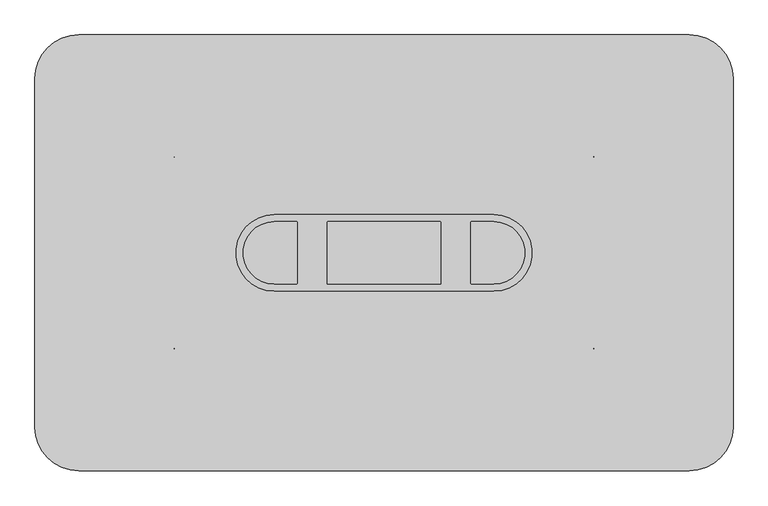
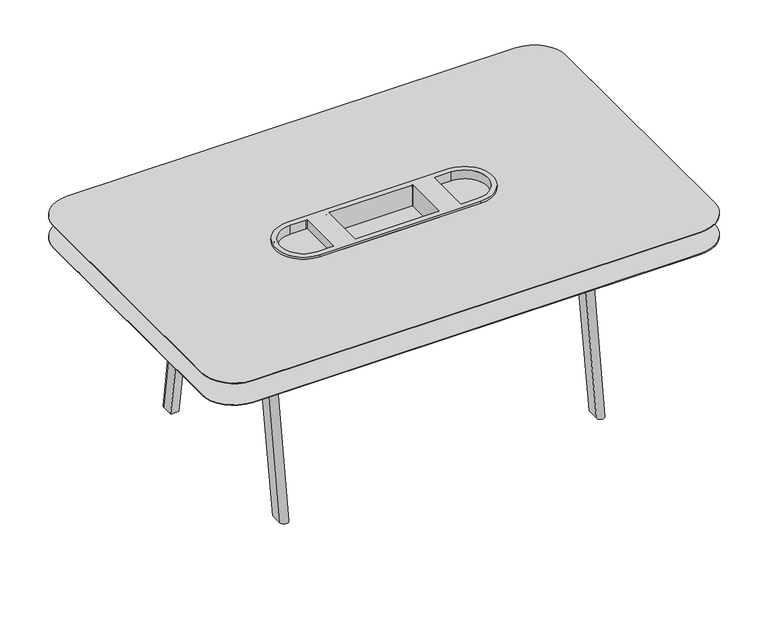
"""IFC4 building model written with IfcOpenShell, lengths in millimetres: furniture geometry."""

from ifc_helpers import new_model, si_unit, point, frame, frame_2d, origin, place, context, project, spatial, polyline, circle_curve, trimmed, segment, composite_curve, outline, extrude, source, transform, mapped, element, save
from ifc_brep_helpers import plane_surface, cylinder_surface, revolved_surface, extruded_surface, spline_surface, advanced_brep


def furniture_254dddc7(model_context):
    return source(origin(), model_context, "Body", "SolidModel", [
        advanced_brep(
        [(-1270.0126446, 612.4376784, 1001.6604441), (-1270.0126446, 344.70244, 1001.6604441), (-503.4152508, 344.70244, 1001.6604441), (-503.4152508, 612.4376784, 1001.6604441), (-1189.3666345, 584.0699817, 1001.6604441), (-1189.3666345, 373.0701368, 1001.6604441), (-1192.5416345, 369.8951368, 1001.6604441), (-1269.9999637, 369.8951368, 1001.6604441), (-1269.9999637, 587.2449817, 1001.6604441), (-1192.5416345, 587.2449817, 1001.6604441), (-580.8862609, 369.8951368, 1001.6604441), (-584.0612609, 373.0701368, 1001.6604441), (-584.0612609, 584.0699817, 1001.6604441), (-580.8862609, 587.2449817, 1001.6604441), (-503.4279317, 587.2449817, 1001.6604441), (-503.4279317, 369.8951368, 1001.6604441), (-690.840826, 369.8951368, 1001.6604441), (-1082.5870693, 369.8951368, 1001.6604441), (-1085.7620693, 373.0701368, 1001.6604441), (-1085.7620693, 584.0699817, 1001.6604441), (-1082.5870693, 587.2449817, 1001.6604441), (-690.840826, 587.2449817, 1001.6604441), (-687.665826, 584.0699817, 1001.6604441), (-687.665826, 373.0701368, 1001.6604441), (-1270.0126446, 612.4376784, 990.6), (-503.4152508, 612.4376784, 990.6), (-503.4152508, 344.70244, 990.6), (-1270.0126446, 344.70244, 990.6), (-596.7612609, 584.0699817, 990.6), (-596.7612609, 373.0701368, 990.6), (-580.8862609, 357.1951368, 990.6), (-503.4279317, 357.1951368, 990.6), (-503.4279317, 599.9449817, 990.6), (-580.8862609, 599.9449817, 990.6), (-1176.6666345, 584.0699817, 990.6), (-1192.5416345, 599.9449817, 990.6), (-1269.9999637, 599.9449817, 990.6), (-1269.9999637, 357.1951368, 990.6), (-1192.5416345, 357.1951368, 990.6), (-1176.6666345, 373.0701368, 990.6), (-690.840826, 357.1951368, 990.6), (-674.965826, 373.0701368, 990.6), (-674.965826, 584.0699817, 990.6), (-690.840826, 599.9449817, 990.6), (-1082.5870693, 599.9449817, 990.6), (-1098.4620693, 584.0699817, 990.6), (-1098.4620693, 373.0701368, 990.6), (-1082.5870693, 357.1951368, 990.6), (-1189.3666345, 373.0701368, 957.6625001), (-1189.3666345, 584.0699817, 957.6625001), (-1192.5416345, 587.2449817, 957.6625001), (-1269.9999637, 587.2449817, 957.6625001), (-1269.9999637, 369.8951368, 957.6625001), (-1192.5416345, 369.8951368, 957.6625001), (-584.0612609, 373.0701368, 957.6625001), (-580.8862609, 369.8951368, 957.6625001), (-503.4279317, 369.8951368, 957.6625001), (-503.4279317, 587.2449817, 957.6625001), (-580.8862609, 587.2449817, 957.6625001), (-584.0612609, 584.0699817, 957.6625001), (-1082.5870693, 369.8951368, 990.6), (-690.840826, 369.8951368, 990.6), (-690.840826, 369.8951368, 896.728609), (-1082.5870693, 369.8951368, 896.728609), (-687.665826, 373.0701368, 990.6), (-687.665826, 584.0699817, 990.6), (-687.665826, 584.0699817, 896.728609), (-687.665826, 373.0701368, 896.728609), (-690.840826, 587.2449817, 990.6), (-1082.5870693, 587.2449817, 990.6), (-1082.5870693, 587.2449817, 896.728609), (-690.840826, 587.2449817, 896.728609), (-1085.7620693, 584.0699817, 990.6), (-1085.7620693, 373.0701368, 990.6), (-1085.7620693, 373.0701368, 896.728609), (-1085.7620693, 584.0699817, 896.728609), (-596.7612609, 584.0699817, 952.5), (-580.8862609, 599.9449817, 952.5), (-503.4279317, 599.9449817, 952.5), (-503.4279317, 357.1951368, 952.5), (-580.8862609, 357.1951368, 952.5), (-596.7612609, 373.0701368, 952.5), (-1176.6666345, 584.0699817, 952.5), (-1176.6666345, 373.0701368, 952.5), (-1192.5416345, 357.1951368, 952.5), (-1269.9999637, 357.1951368, 952.5), (-1269.9999637, 599.9449817, 952.5), (-1192.5416345, 599.9449817, 952.5), (-690.840826, 357.1951368, 890.2195719), (-1082.5870693, 357.1951368, 890.2195719), (-1098.4620693, 373.0701368, 890.2195719), (-1098.4620693, 584.0699817, 890.2195719), (-1082.5870693, 599.9449817, 890.2195719), (-690.840826, 599.9449817, 890.2195719), (-674.965826, 584.0699817, 890.2195719), (-674.965826, 373.0701368, 890.2195719)],
        [
            (0, 1, circle_curve(frame((-1270.0126446, 478.5700592, 1001.6604441), z_axis=(0.0, 0.0, 1.0), x_axis=(1.0, 0.0, 0.0)), 133.8676192)),
            (1, 2),
            (2, 3, circle_curve(frame((-503.4152508, 478.5700592, 1001.6604441), z_axis=(0.0, 0.0, 1.0), x_axis=(1.0, 0.0, 0.0)), 133.8676192)),
            (3, 0),
            (4, 5),
            (5, 6, circle_curve(frame((-1192.5416345, 373.0701368, 1001.6604441), z_axis=(0.0, 0.0, -1.0), x_axis=(1.0, 0.0, 0.0)), 3.175)),
            (6, 7),
            (7, 8, circle_curve(frame((-1269.9999637, 478.5700592, 1001.6604441), z_axis=(0.0, 0.0, -1.0), x_axis=(-1.0, 0.0, 0.0)), 108.6749224)),
            (8, 9),
            (9, 4, circle_curve(frame((-1192.5416345, 584.0699817, 1001.6604441), z_axis=(0.0, 0.0, -1.0), x_axis=(1.0, 0.0, 0.0)), 3.175)),
            (10, 11, circle_curve(frame((-580.8862609, 373.0701368, 1001.6604441), z_axis=(0.0, 0.0, -1.0), x_axis=(-1.0, 0.0, 0.0)), 3.175)),
            (11, 12),
            (12, 13, circle_curve(frame((-580.8862609, 584.0699817, 1001.6604441), z_axis=(0.0, 0.0, -1.0), x_axis=(-1.0, 0.0, 0.0)), 3.175)),
            (13, 14),
            (14, 15, circle_curve(frame((-503.4279317, 478.5700592, 1001.6604441), z_axis=(0.0, 0.0, -1.0), x_axis=(1.0, 0.0, 0.0)), 108.6749224)),
            (15, 10),
            (16, 17),
            (17, 18, circle_curve(frame((-1082.5870693, 373.0701368, 1001.6604441), z_axis=(0.0, 0.0, -1.0), x_axis=(1.0, 0.0, 0.0)), 3.175)),
            (18, 19),
            (19, 20, circle_curve(frame((-1082.5870693, 584.0699817, 1001.6604441), z_axis=(0.0, 0.0, -1.0), x_axis=(1.0, 0.0, 0.0)), 3.175)),
            (20, 21),
            (21, 22, circle_curve(frame((-690.840826, 584.0699817, 1001.6604441), z_axis=(0.0, 0.0, -1.0), x_axis=(1.0, 0.0, 0.0)), 3.175)),
            (22, 23),
            (23, 16, circle_curve(frame((-690.840826, 373.0701368, 1001.6604441), z_axis=(0.0, 0.0, -1.0), x_axis=(1.0, 0.0, 0.0)), 3.175)),
            (24, 25),
            (25, 26, circle_curve(frame((-503.4152508, 478.5700592, 990.6), z_axis=(0.0, 0.0, -1.0), x_axis=(1.0, 0.0, 0.0)), 133.8676192)),
            (26, 27),
            (27, 24, circle_curve(frame((-1270.0126446, 478.5700592, 990.6), z_axis=(0.0, 0.0, -1.0), x_axis=(1.0, 0.0, 0.0)), 133.8676192)),
            (28, 29),
            (29, 30, circle_curve(frame((-580.8862609, 373.0701368, 990.6), z_axis=(0.0, 0.0, 1.0), x_axis=(1.0, 0.0, 0.0)), 15.875)),
            (30, 31),
            (31, 32, circle_curve(frame((-503.4279317, 478.5700592, 990.6), z_axis=(0.0, 0.0, 1.0), x_axis=(1.0, 0.0, 0.0)), 121.3749224)),
            (32, 33),
            (33, 28, circle_curve(frame((-580.8862609, 584.0699817, 990.6), z_axis=(0.0, 0.0, 1.0), x_axis=(1.0, 0.0, 0.0)), 15.875)),
            (34, 35, circle_curve(frame((-1192.5416345, 584.0699817, 990.6), z_axis=(0.0, 0.0, 1.0), x_axis=(-1.0, 0.0, 0.0)), 15.875)),
            (35, 36),
            (36, 37, circle_curve(frame((-1269.9999637, 478.5700592, 990.6), z_axis=(0.0, 0.0, 1.0), x_axis=(-1.0, 0.0, 0.0)), 121.3749224)),
            (37, 38),
            (38, 39, circle_curve(frame((-1192.5416345, 373.0701368, 990.6), z_axis=(0.0, 0.0, 1.0), x_axis=(-1.0, 0.0, 0.0)), 15.875)),
            (39, 34),
            (40, 41, circle_curve(frame((-690.840826, 373.0701368, 990.6), z_axis=(0.0, 0.0, 1.0), x_axis=(1.0, 0.0, 0.0)), 15.875)),
            (41, 42),
            (42, 43, circle_curve(frame((-690.840826, 584.0699817, 990.6), z_axis=(0.0, 0.0, 1.0), x_axis=(1.0, 0.0, 0.0)), 15.875)),
            (43, 44),
            (44, 45, circle_curve(frame((-1082.5870693, 584.0699817, 990.6), z_axis=(0.0, 0.0, 1.0), x_axis=(1.0, 0.0, 0.0)), 15.875)),
            (45, 46),
            (46, 47, circle_curve(frame((-1082.5870693, 373.0701368, 990.6), z_axis=(0.0, 0.0, 1.0), x_axis=(1.0, 0.0, 0.0)), 15.875)),
            (47, 40),
            (0, 24),
            (27, 1),
            (26, 2),
            (25, 3),
            (48, 49),
            (49, 50, circle_curve(frame((-1192.5416345, 584.0699817, 957.6625001), z_axis=(0.0, 0.0, 1.0), x_axis=(1.0, 0.0, 0.0)), 3.175)),
            (50, 51),
            (51, 52, circle_curve(frame((-1269.9999637, 478.5700592, 957.6625001), z_axis=(0.0, 0.0, 1.0), x_axis=(-1.0, 0.0, 0.0)), 108.6749224)),
            (52, 53),
            (53, 48, circle_curve(frame((-1192.5416345, 373.0701368, 957.6625001), z_axis=(0.0, 0.0, 1.0), x_axis=(1.0, 0.0, 0.0)), 3.175)),
            (54, 55, circle_curve(frame((-580.8862609, 373.0701368, 957.6625001), z_axis=(0.0, 0.0, 1.0), x_axis=(-1.0, 0.0, 0.0)), 3.175)),
            (55, 56),
            (56, 57, circle_curve(frame((-503.4279317, 478.5700592, 957.6625001), z_axis=(0.0, 0.0, 1.0), x_axis=(1.0, 0.0, 0.0)), 108.6749224)),
            (57, 58),
            (58, 59, circle_curve(frame((-580.8862609, 584.0699817, 957.6625001), z_axis=(0.0, 0.0, 1.0), x_axis=(-1.0, 0.0, 0.0)), 3.175)),
            (59, 54),
            (48, 5),
            (4, 49),
            (9, 50),
            (8, 51),
            (7, 52),
            (6, 53),
            (54, 11),
            (10, 55),
            (15, 56),
            (14, 57),
            (13, 58),
            (12, 59),
            (60, 17),
            (16, 61),
            (61, 62),
            (62, 63),
            (63, 60),
            (23, 64),
            (64, 61, circle_curve(frame((-690.840826, 373.0701368, 990.6), z_axis=(0.0, 0.0, -1.0), x_axis=(1.0, 0.0, 0.0)), 3.175)),
            (22, 65),
            (65, 66),
            (66, 67),
            (67, 64),
            (21, 68),
            (68, 65, circle_curve(frame((-690.840826, 584.0699817, 990.6), z_axis=(0.0, 0.0, -1.0), x_axis=(1.0, 0.0, 0.0)), 3.175)),
            (20, 69),
            (69, 70),
            (70, 71),
            (71, 68),
            (19, 72),
            (72, 69, circle_curve(frame((-1082.5870693, 584.0699817, 990.6), z_axis=(0.0, 0.0, -1.0), x_axis=(1.0, 0.0, 0.0)), 3.175)),
            (18, 73),
            (73, 74),
            (74, 75),
            (75, 72),
            (60, 73, circle_curve(frame((-1082.5870693, 373.0701368, 990.6), z_axis=(0.0, 0.0, -1.0), x_axis=(1.0, 0.0, 0.0)), 3.175)),
            (76, 77, circle_curve(frame((-580.8862609, 584.0699817, 952.5), z_axis=(0.0, 0.0, -1.0), x_axis=(1.0, 0.0, 0.0)), 15.875)),
            (77, 78),
            (78, 79, circle_curve(frame((-503.4279317, 478.5700592, 952.5), z_axis=(0.0, 0.0, -1.0), x_axis=(1.0, 0.0, 0.0)), 121.3749224)),
            (79, 80),
            (80, 81, circle_curve(frame((-580.8862609, 373.0701368, 952.5), z_axis=(0.0, 0.0, -1.0), x_axis=(1.0, 0.0, 0.0)), 15.875)),
            (81, 76),
            (82, 83),
            (83, 84, circle_curve(frame((-1192.5416345, 373.0701368, 952.5), z_axis=(0.0, 0.0, -1.0), x_axis=(-1.0, 0.0, 0.0)), 15.875)),
            (84, 85),
            (85, 86, circle_curve(frame((-1269.9999637, 478.5700592, 952.5), z_axis=(0.0, 0.0, -1.0), x_axis=(-1.0, 0.0, 0.0)), 121.3749224)),
            (86, 87),
            (87, 82, circle_curve(frame((-1192.5416345, 584.0699817, 952.5), z_axis=(0.0, 0.0, -1.0), x_axis=(-1.0, 0.0, 0.0)), 15.875)),
            (81, 29),
            (28, 76),
            (80, 30),
            (79, 31),
            (78, 32),
            (77, 33),
            (87, 35),
            (34, 82),
            (86, 36),
            (85, 37),
            (84, 38),
            (83, 39),
            (88, 89),
            (89, 90, circle_curve(frame((-1082.5870693, 373.0701368, 890.2195719), z_axis=(0.0, 0.0, -1.0), x_axis=(1.0, 0.0, 0.0)), 15.875)),
            (90, 91),
            (91, 92, circle_curve(frame((-1082.5870693, 584.0699817, 890.2195719), z_axis=(0.0, 0.0, -1.0), x_axis=(1.0, 0.0, 0.0)), 15.875)),
            (92, 93),
            (93, 94, circle_curve(frame((-690.840826, 584.0699817, 890.2195719), z_axis=(0.0, 0.0, -1.0), x_axis=(1.0, 0.0, 0.0)), 15.875)),
            (94, 95),
            (95, 88, circle_curve(frame((-690.840826, 373.0701368, 890.2195719), z_axis=(0.0, 0.0, -1.0), x_axis=(1.0, 0.0, 0.0)), 15.875)),
            (95, 41),
            (40, 88),
            (94, 42),
            (93, 43),
            (92, 44),
            (91, 45),
            (90, 46),
            (89, 47),
            (62, 67, circle_curve(frame((-690.840826, 373.0701368, 896.728609), z_axis=(0.0, 0.0, 1.0), x_axis=(1.0, 0.0, 0.0)), 3.175)),
            (66, 71, circle_curve(frame((-690.840826, 584.0699817, 896.728609), z_axis=(0.0, 0.0, 1.0), x_axis=(1.0, 0.0, 0.0)), 3.175)),
            (70, 75, circle_curve(frame((-1082.5870693, 584.0699817, 896.728609), z_axis=(0.0, 0.0, 1.0), x_axis=(1.0, 0.0, 0.0)), 3.175)),
            (74, 63, circle_curve(frame((-1082.5870693, 373.0701368, 896.728609), z_axis=(0.0, 0.0, 1.0), x_axis=(1.0, 0.0, 0.0)), 3.175)),
        ],
        [
            plane_surface(frame((-1136.1450254, 478.5700592, 1001.6604441), z_axis=(0.0, 0.0, 1.0), x_axis=(0.0, 1.0, 0.0))),
            plane_surface(frame((-1136.1450254, 478.5700592, 990.6), z_axis=(0.0, 0.0, -1.0), x_axis=(0.0, -1.0, 0.0))),
            cylinder_surface(frame((-1270.0126446, 478.5700592, 990.6), z_axis=(0.0, 0.0, 1.0), x_axis=(1.0, 0.0, 0.0)), 133.8676192),
            plane_surface(frame((-1270.0126446, 344.70244, 1001.6604441), z_axis=(0.0, -1.0, 0.0), x_axis=(0.0, 0.0, -1.0))),
            cylinder_surface(frame((-503.4152508, 478.5700592, 990.6), z_axis=(0.0, 0.0, 1.0), x_axis=(1.0, 0.0, 0.0)), 133.8676192),
            plane_surface(frame((-503.4152508, 612.4376784, 1001.6604441), z_axis=(0.0, 1.0, 0.0), x_axis=(0.0, 0.0, -1.0))),
            plane_surface(frame((-1189.3666345, 584.0699817, 957.6625001), z_axis=(0.0, 0.0, 1.0), x_axis=(0.0, -1.0, 0.0))),
            plane_surface(frame((-1189.3666345, 373.0701368, 1009.65), z_axis=(-1.0, 0.0, 0.0), x_axis=(0.0, 0.0, -1.0))),
            revolved_surface(polyline([(-1189.3666345000001, 584.0699817, 1001.6604441), (-1189.3666345000001, 584.0699817, 957.6625001)]), (-1192.5416345, 584.0699817, 957.6625001), (0.0, 0.0, 1.0)),
            plane_surface(frame((-1192.5416345, 587.2449817, 1009.65), z_axis=(0.0, -1.0, 0.0), x_axis=(0.0, 0.0, -1.0))),
            revolved_surface(polyline([(-1378.6748861, 478.5700592, 1001.6604441), (-1378.6748861, 478.5700592, 957.6625001)]), (-1269.9999637, 478.5700592, 957.6625001), (0.0, 0.0, 1.0)),
            plane_surface(frame((-1269.9999637, 369.8951368, 1009.65), z_axis=(0.0, 1.0, 0.0), x_axis=(0.0, 0.0, -1.0))),
            revolved_surface(polyline([(-1189.3666345000001, 373.0701368, 1001.6604441), (-1189.3666345000001, 373.0701368, 957.6625001)]), (-1192.5416345, 373.0701368, 957.6625001), (0.0, 0.0, 1.0)),
            revolved_surface(polyline([(-584.0612609, 373.0701368, 1001.6604441), (-584.0612609, 373.0701368, 957.6625001)]), (-580.8862609, 373.0701368, 1152.5113746), (0.0, 0.0, 1.0)),
            plane_surface(frame((-580.8862609, 369.8951368, 1009.65), z_axis=(0.0, 1.0, 0.0), x_axis=(0.0, 0.0, -1.0))),
            revolved_surface(polyline([(-394.7530093, 478.5700592, 1001.6604441), (-394.7530093, 478.5700592, 957.6625001)]), (-503.4279317, 478.5700592, 1152.5113746), (0.0, 0.0, 1.0)),
            plane_surface(frame((-503.4279317, 587.2449817, 1009.65), z_axis=(0.0, -1.0, 0.0), x_axis=(0.0, 0.0, -1.0))),
            revolved_surface(polyline([(-584.0612609, 584.0699817, 1001.6604441), (-584.0612609, 584.0699817, 957.6625001)]), (-580.8862609, 584.0699817, 1152.5113746), (0.0, 0.0, 1.0)),
            plane_surface(frame((-584.0612609, 584.0699817, 1009.65), z_axis=(1.0, 0.0, 0.0), x_axis=(0.0, 0.0, -1.0))),
            plane_surface(frame((-1082.5870693, 369.8951368, 1009.65), z_axis=(0.0, 1.0, 0.0), x_axis=(0.0, 0.0, -1.0))),
            revolved_surface(polyline([(-687.665826, 373.0701368, 1001.6604441), (-687.665826, 373.0701368, 990.6)]), (-690.840826, 373.0701368, 896.728609), (0.0, 0.0, 1.0)),
            plane_surface(frame((-687.665826, 373.0701368, 1009.65), z_axis=(-1.0, 0.0, 0.0), x_axis=(0.0, 0.0, -1.0))),
            revolved_surface(polyline([(-687.665826, 584.0699817, 1001.6604441), (-687.665826, 584.0699817, 990.6)]), (-690.840826, 584.0699817, 896.728609), (0.0, 0.0, 1.0)),
            plane_surface(frame((-690.840826, 587.2449817, 1009.65), z_axis=(0.0, -1.0, 0.0), x_axis=(0.0, 0.0, -1.0))),
            revolved_surface(polyline([(-1079.4120693, 584.0699817, 1001.6604441), (-1079.4120693, 584.0699817, 990.6)]), (-1082.5870693, 584.0699817, 896.728609), (0.0, 0.0, 1.0)),
            plane_surface(frame((-1085.7620693, 584.0699817, 1009.65), z_axis=(1.0, 0.0, 0.0), x_axis=(0.0, 0.0, -1.0))),
            revolved_surface(polyline([(-1079.4120693, 373.0701368, 1001.6604441), (-1079.4120693, 373.0701368, 990.6)]), (-1082.5870693, 373.0701368, 896.728609), (0.0, 0.0, 1.0)),
            plane_surface(frame((-596.7612609, 373.0604656, 952.5), z_axis=(0.0, 0.0, -1.0), x_axis=(0.0, 1.0, 0.0))),
            plane_surface(frame((-596.7612609, 584.0699817, 990.6), z_axis=(-1.0, 0.0, 0.0), x_axis=(0.0, 0.0, -1.0))),
            cylinder_surface(frame((-580.8862609, 373.0701368, 952.5), z_axis=(0.0, 0.0, 1.0), x_axis=(1.0, 0.0, 0.0)), 15.875),
            plane_surface(frame((-580.8862609, 357.1951368, 990.6), z_axis=(0.0, -1.0, 0.0), x_axis=(0.0, 0.0, -1.0))),
            cylinder_surface(frame((-503.4279317, 478.5700592, 952.5), z_axis=(0.0, 0.0, 1.0), x_axis=(1.0, 0.0, 0.0)), 121.3749224),
            plane_surface(frame((-503.4279317, 599.9449817, 990.6), z_axis=(0.0, 1.0, 0.0), x_axis=(0.0, 0.0, -1.0))),
            cylinder_surface(frame((-580.8862609, 584.0699817, 952.5), z_axis=(0.0, 0.0, 1.0), x_axis=(1.0, 0.0, 0.0)), 15.875),
            cylinder_surface(frame((-1192.5416345, 584.0699817, 1152.5113746), z_axis=(0.0, 0.0, 1.0), x_axis=(-1.0, 0.0, 0.0)), 15.875),
            plane_surface(frame((-1192.5416345, 599.9449817, 990.6), z_axis=(0.0, 1.0, 0.0), x_axis=(0.0, 0.0, -1.0))),
            cylinder_surface(frame((-1269.9999637, 478.5700592, 1152.5113746), z_axis=(0.0, 0.0, 1.0), x_axis=(-1.0, 0.0, 0.0)), 121.3749224),
            plane_surface(frame((-1269.9999637, 357.1951368, 990.6), z_axis=(0.0, -1.0, 0.0), x_axis=(0.0, 0.0, -1.0))),
            cylinder_surface(frame((-1192.5416345, 373.0701368, 1152.5113746), z_axis=(0.0, 0.0, 1.0), x_axis=(-1.0, 0.0, 0.0)), 15.875),
            plane_surface(frame((-1176.6666345, 373.0701368, 990.6), z_axis=(1.0, 0.0, 0.0), x_axis=(0.0, 0.0, -1.0))),
            plane_surface(frame((-674.965826, 373.0701368, 890.2195719), z_axis=(0.0, 0.0, -1.0), x_axis=(0.0, -1.0, 0.0))),
            cylinder_surface(frame((-690.840826, 373.0701368, 890.2195719), z_axis=(0.0, 0.0, 1.0), x_axis=(1.0, 0.0, 0.0)), 15.875),
            plane_surface(frame((-674.965826, 373.0701368, 990.6), z_axis=(1.0, 0.0, 0.0), x_axis=(0.0, 0.0, -1.0))),
            cylinder_surface(frame((-690.840826, 584.0699817, 890.2195719), z_axis=(0.0, 0.0, 1.0), x_axis=(1.0, 0.0, 0.0)), 15.875),
            plane_surface(frame((-690.840826, 599.9449817, 990.6), z_axis=(0.0, 1.0, 0.0), x_axis=(0.0, 0.0, -1.0))),
            cylinder_surface(frame((-1082.5870693, 584.0699817, 890.2195719), z_axis=(0.0, 0.0, 1.0), x_axis=(1.0, 0.0, 0.0)), 15.875),
            plane_surface(frame((-1098.4620693, 584.0699817, 990.6), z_axis=(-1.0, 0.0, 0.0), x_axis=(0.0, 0.0, -1.0))),
            cylinder_surface(frame((-1082.5870693, 373.0701368, 890.2195719), z_axis=(0.0, 0.0, 1.0), x_axis=(1.0, 0.0, 0.0)), 15.875),
            plane_surface(frame((-1082.5870693, 357.1951368, 990.6), z_axis=(0.0, -1.0, 0.0), x_axis=(0.0, 0.0, -1.0))),
            plane_surface(frame((-690.840826, 369.8951368, 896.728609), z_axis=(0.0, 0.0, 1.0), x_axis=(-1.0, 0.0, 0.0))),
            revolved_surface(polyline([(-687.665826, 373.0701368, 990.6), (-687.665826, 373.0701368, 896.728609)]), (-690.840826, 373.0701368, 896.728609), (0.0, 0.0, 1.0)),
            revolved_surface(polyline([(-687.665826, 584.0699817, 990.6), (-687.665826, 584.0699817, 896.728609)]), (-690.840826, 584.0699817, 896.728609), (0.0, 0.0, 1.0)),
            revolved_surface(polyline([(-1079.4120693, 584.0699817, 990.6), (-1079.4120693, 584.0699817, 896.728609)]), (-1082.5870693, 584.0699817, 896.728609), (0.0, 0.0, 1.0)),
            revolved_surface(polyline([(-1079.4120693, 373.0701368, 990.6), (-1079.4120693, 373.0701368, 896.728609)]), (-1082.5870693, 373.0701368, 896.728609), (0.0, 0.0, 1.0)),
        ],
        [
            (0, [[1, 2, 3, 4], [5, 6, 7, 8, 9, 10], [11, 12, 13, 14, 15, 16], [17, 18, 19, 20, 21, 22, 23, 24]]),
            (1, [[25, 26, 27, 28], [29, 30, 31, 32, 33, 34], [35, 36, 37, 38, 39, 40], [41, 42, 43, 44, 45, 46, 47, 48]]),
            (2, [[-1, 49, -28, 50]]),
            (3, [[-2, -50, -27, 51]]),
            (4, [[-3, -51, -26, 52]]),
            (5, [[-4, -52, -25, -49]]),
            (6, [[53, 54, 55, 56, 57, 58]]),
            (6, [[59, 60, 61, 62, 63, 64]]),
            (7, [[-53, 65, -5, 66]]),
            (8, [[-54, -66, -10, 67]]),
            (9, [[-55, -67, -9, 68]]),
            (10, [[-56, -68, -8, 69]]),
            (11, [[-57, -69, -7, 70]]),
            (12, [[-58, -70, -6, -65]]),
            (13, [[-59, 71, -11, 72]]),
            (14, [[-60, -72, -16, 73]]),
            (15, [[-61, -73, -15, 74]]),
            (16, [[-62, -74, -14, 75]]),
            (17, [[-63, -75, -13, 76]]),
            (18, [[-64, -76, -12, -71]]),
            (19, [[77, -17, 78, 79, 80, 81]]),
            (20, [[-78, -24, 82, 83]]),
            (21, [[-82, -23, 84, 85, 86, 87]]),
            (22, [[-84, -22, 88, 89]]),
            (23, [[-88, -21, 90, 91, 92, 93]]),
            (24, [[-90, -20, 94, 95]]),
            (25, [[-94, -19, 96, 97, 98, 99]]),
            (26, [[-77, 100, -96, -18]]),
            (27, [[101, 102, 103, 104, 105, 106]]),
            (27, [[107, 108, 109, 110, 111, 112]]),
            (28, [[-106, 113, -29, 114]]),
            (29, [[-105, 115, -30, -113]]),
            (30, [[-104, 116, -31, -115]]),
            (31, [[-103, 117, -32, -116]]),
            (32, [[-102, 118, -33, -117]]),
            (33, [[-101, -114, -34, -118]]),
            (34, [[-112, 119, -35, 120]]),
            (35, [[-111, 121, -36, -119]]),
            (36, [[-110, 122, -37, -121]]),
            (37, [[-109, 123, -38, -122]]),
            (38, [[-108, 124, -39, -123]]),
            (39, [[-107, -120, -40, -124]]),
            (40, [[125, 126, 127, 128, 129, 130, 131, 132]]),
            (41, [[-132, 133, -41, 134]]),
            (42, [[-131, 135, -42, -133]]),
            (43, [[-130, 136, -43, -135]]),
            (44, [[-129, 137, -44, -136]]),
            (45, [[-128, 138, -45, -137]]),
            (46, [[-127, 139, -46, -138]]),
            (47, [[-126, 140, -47, -139]]),
            (48, [[-125, -134, -48, -140]]),
            (49, [[-80, 141, -86, 142, -92, 143, -98, 144]]),
            (50, [[-141, -79, -83, -87]]),
            (51, [[-142, -85, -89, -93]]),
            (52, [[-143, -91, -95, -99]]),
            (53, [[-144, -97, -100, -81]]),
        ],
    ),
        extrude(outline(composite_curve([segment(trimmed(circle_curve(frame_2d((180.0860523, 1088.1700592)), 152.4), [point((180.0860523, 1240.5700592))], [point((332.4860523, 1088.1700592))], False, "CARTESIAN"), True, "CONTINUOUS"), segment(polyline([(332.4860523, 1088.1700592), (332.4860523, -131.0299408)]), True, "CONTINUOUS"), segment(trimmed(circle_curve(frame_2d((180.0860523, -131.0299408)), 152.4), [point((332.4860523, -131.0299408))], [point((180.0860523, -283.4299408))], False, "CARTESIAN"), True, "CONTINUOUS"), segment(polyline([(180.0860523, -283.4299408), (-1953.5139477, -283.4299408)]), True, "CONTINUOUS"), segment(trimmed(circle_curve(frame_2d((-1953.5139477, -131.0299408)), 152.4), [point((-1953.5139477, -283.4299408))], [point((-2105.9139477, -131.0299408))], False, "CARTESIAN"), True, "CONTINUOUS"), segment(polyline([(-2105.9139477, -131.0299408), (-2105.9139477, 1088.1700592)]), True, "CONTINUOUS"), segment(trimmed(circle_curve(frame_2d((-1953.5139477, 1088.1700592)), 152.4), [point((-2105.9139477, 1088.1700592))], [point((-1953.5139477, 1240.5700592))], False, "CARTESIAN"), True, "CONTINUOUS"), segment(polyline([(-1953.5139477, 1240.5700592), (180.0860523, 1240.5700592)]), True, "CONTINUOUS")], self_intersect=False)), frame((0.0, 0.0, 878.1216427), z_axis=(0.0, 0.0, 1.0), x_axis=(1.0, 0.0, 0.0)), (0.0, 0.0, 1.0), 3.175),
        extrude(outline(composite_curve([segment(trimmed(circle_curve(frame_2d((180.0860523, 1088.1700592)), 152.4), [point((180.0860523, 1240.5700592))], [point((332.4860523, 1088.1700592))], False, "CARTESIAN"), True, "CONTINUOUS"), segment(polyline([(332.4860523, 1088.1700592), (332.4860523, -131.0299408)]), True, "CONTINUOUS"), segment(trimmed(circle_curve(frame_2d((180.0860523, -131.0299408)), 152.4), [point((332.4860523, -131.0299408))], [point((180.0860523, -283.4299408))], False, "CARTESIAN"), True, "CONTINUOUS"), segment(polyline([(180.0860523, -283.4299408), (-1953.5139477, -283.4299408)]), True, "CONTINUOUS"), segment(trimmed(circle_curve(frame_2d((-1953.5139477, -131.0299408)), 152.4), [point((-1953.5139477, -283.4299408))], [point((-2105.9139477, -131.0299408))], False, "CARTESIAN"), True, "CONTINUOUS"), segment(polyline([(-2105.9139477, -131.0299408), (-2105.9139477, 1088.1700592)]), True, "CONTINUOUS"), segment(trimmed(circle_curve(frame_2d((-1953.5139477, 1088.1700592)), 152.4), [point((-2105.9139477, 1088.1700592))], [point((-1953.5139477, 1240.5700592))], False, "CARTESIAN"), True, "CONTINUOUS"), segment(polyline([(-1953.5139477, 1240.5700592), (180.0860523, 1240.5700592)]), True, "CONTINUOUS")], self_intersect=False), holes=[composite_curve([segment(polyline([(-886.7139477, 612.3384173), (-1262.5028888, 612.3384173)]), True, "CONTINUOUS"), segment(trimmed(circle_curve(frame_2d((-1262.5028888, 478.5700592)), 133.7683581), [point((-1262.5028888, 612.3384173))], [point((-1262.5028888, 344.8017011))], True, "CARTESIAN"), True, "CONTINUOUS"), segment(polyline([(-1262.5028888, 344.8017011), (-886.7139477, 344.8017011), (-510.50937, 344.8017011)]), True, "CONTINUOUS"), segment(trimmed(circle_curve(frame_2d((-510.50937, 478.5700592)), 133.7683581), [point((-510.50937, 344.8017011))], [point((-510.50937, 612.3384173))], True, "CARTESIAN"), True, "CONTINUOUS"), segment(polyline([(-510.50937, 612.3384173), (-886.7139477, 612.3384173)]), True, "CONTINUOUS")], self_intersect=False)]), frame((0.0, 0.0, 987.9563894), z_axis=(0.0, 0.0, 1.0), x_axis=(1.0, 0.0, 0.0)), (0.0, 0.0, 1.0), 2.6436106),
        advanced_brep(
        [(180.086016, 1240.5700592, 987.9563894), (-408.1414617, 1240.5700592, 987.9563894), (-1951.2279438, 1240.5700592, 987.9563894), (-2105.9139477, 1085.8840553, 987.9563894), (-2105.9139477, -131.0299408, 987.9563894), (-1953.5139477, -283.4299408, 987.9563894), (-408.1414617, -283.4299408, 987.9563894), (180.1088442, -283.4299408, 987.9563894), (332.4860523, -131.0527327, 987.9563894), (332.4860523, 438.4859882, 987.9563894), (332.4860523, 823.4541302, 987.9563894), (332.4860523, 1088.1700229, 987.9563894), (-1262.5028888, 612.3384173, 987.9563894), (-886.7139477, 612.3384173, 987.9563894), (-510.50937, 612.3384173, 987.9563894), (-510.50937, 344.8017011, 987.9563894), (-886.7139477, 344.8017011, 987.9563894), (-1262.5028888, 344.8017011, 987.9563894), (180.086016, 1189.7700592, 967.1357346), (281.6860523, 1088.1700229, 967.1357346), (281.6860523, 1019.898828, 967.1357346), (281.6860523, 460.7920856, 967.1357346), (281.6860523, -131.0299166, 967.1357346), (180.0860523, -232.6299166, 967.1357346), (-427.9413185, -232.6299166, 967.1357346), (-1951.2279438, -232.6299166, 967.1357346), (-2052.8279438, -131.0299166, 967.1357346), (-2052.8279438, 1088.1700592, 967.1357346), (-1951.2279438, 1189.7700592, 967.1357346), (-886.7139477, 612.3384173, 967.1357346), (-1262.5028888, 612.3384173, 967.1357346), (-1262.5028888, 344.8017011, 967.1357346), (-886.7139477, 344.8017011, 967.1357346), (-510.50937, 344.8017011, 967.1357346), (-510.50937, 612.3384173, 967.1357346)],
        [
            (0, 1),
            (1, 2),
            (2, 3, circle_curve(frame((-1951.2279438, 1085.8840553, 987.9563894), z_axis=(0.0, 0.0, 1.0), x_axis=(0.0, -1.0, 0.0)), 154.6860039)),
            (3, 4),
            (4, 5, circle_curve(frame((-1953.5139477, -131.0299408, 987.9563894), z_axis=(0.0, 0.0, 1.0), x_axis=(0.0, -1.0, 0.0)), 152.4)),
            (5, 6),
            (6, 7),
            (7, 8, circle_curve(frame((180.1088442, -131.0527327, 987.9563894), z_axis=(0.0, 0.0, 1.0), x_axis=(0.0, -1.0, 0.0)), 152.3772081)),
            (8, 9),
            (9, 10),
            (10, 11),
            (11, 0, circle_curve(frame((180.086016, 1088.1700229, 987.9563894), z_axis=(3.0149125599671095e-12, -5.083906462305724e-12, 1.0), x_axis=(1.0, 0.0, -3.014931751972623e-12)), 152.4000363)),
            (12, 13),
            (13, 14),
            (14, 15, circle_curve(frame((-510.50937, 478.5700592, 987.9563894), z_axis=(0.0, 0.0, -1.0), x_axis=(1.0, 0.0, 0.0)), 133.7683581)),
            (15, 16),
            (16, 17),
            (17, 12, circle_curve(frame((-1262.5028888, 478.5700592, 987.9563894), z_axis=(0.0, 0.0, -1.0), x_axis=(1.0, 0.0, 0.0)), 133.7683581)),
            (18, 19, circle_curve(frame((180.086016, 1088.1700229, 967.1357346), z_axis=(-3.0149125599671095e-12, 5.083906462305724e-12, -1.0), x_axis=(1.0, 0.0, -3.014931751972623e-12)), 101.6000363)),
            (19, 20),
            (20, 21),
            (21, 22),
            (22, 23, circle_curve(frame((180.0860523, -131.0299166, 967.1357346), z_axis=(0.0, 0.0, -1.0), x_axis=(0.0, -1.0, 0.0)), 101.6)),
            (23, 24),
            (24, 25),
            (25, 26, circle_curve(frame((-1951.2279438, -131.0299166, 967.1357346), z_axis=(0.0, 0.0, -1.0), x_axis=(0.0, -1.0, 0.0)), 101.6)),
            (26, 27),
            (27, 28, circle_curve(frame((-1951.2279438, 1088.1700592, 967.1357346), z_axis=(0.0, 0.0, -1.0), x_axis=(0.0, -1.0, 0.0)), 101.6)),
            (28, 18),
            (29, 30),
            (30, 31, circle_curve(frame((-1262.5028888, 478.5700592, 967.1357346), z_axis=(0.0, 0.0, 1.0), x_axis=(1.0, 0.0, 0.0)), 133.7683581)),
            (31, 32),
            (32, 33),
            (33, 34, circle_curve(frame((-510.50937, 478.5700592, 967.1357346), z_axis=(0.0, 0.0, 1.0), x_axis=(1.0, 0.0, 0.0)), 133.7683581)),
            (34, 29),
            (1, 18),
            (28, 2),
            (27, 3),
            (26, 4),
            (25, 5),
            (24, 6),
            (9, 21),
            (20, 10),
            (23, 7),
            (22, 8),
            (19, 11),
            (18, 0),
            (29, 13),
            (12, 30),
            (17, 31),
            (16, 32),
            (15, 33),
            (14, 34),
        ],
        [
            plane_surface(frame((-603.5594701, 503.7776565, 987.9563894), z_axis=(0.0, 0.0, 1.0), x_axis=(-1.0, 0.0, 0.0))),
            plane_surface(frame((-631.7397106, 461.5110483, 967.1357346), z_axis=(0.0, 0.0, -1.0), x_axis=(-1.0, 0.0, 0.0))),
            plane_surface(frame((-885.5709639, 1189.7700592, 967.1357346), z_axis=(0.0, 0.37923874348745606, -0.9252988573634227), x_axis=(-1.0, 0.0, 0.0))),
            spline_surface(2, 1, [[(-1951.2279438, 1189.7700592, 967.1357346), (-1951.2279438, 1240.5700592, 987.9563894)], [(-2052.8279438, 1189.7700592000003, 967.1357346), (-2105.9139477, 1240.5700592000003, 987.9563894)], [(-2052.8279438, 1088.1700592, 967.1357346), (-2105.9139477, 1085.8840553, 987.9563894)]], [3, 3], [2, 2], [0.0, 1.0], [0.0, 1.0], weights=[[1.0, 1.0], [0.707106781186547, 0.707106781186547], [1.0, 1.0]]),
            plane_surface(frame((-2052.8279438, 478.5700713, 967.1357346), z_axis=(-0.3651272616952556, 0.0, -0.930957615988464), x_axis=(0.0, -1.0, 0.0))),
            spline_surface(2, 1, [[(-2052.8279438, -131.0299166, 967.1357346), (-2105.9139477, -131.0299408, 987.9563894)], [(-2052.8279438, -232.62991659999992, 967.1357346), (-2105.9139477, -283.4299407999998, 987.9563894)], [(-1951.2279438, -232.6299166, 967.1357346), (-1953.5139477, -283.4299408, 987.9563894)]], [3, 3], [2, 2], [0.0, 1.0], [0.0, 1.0], weights=[[1.0, 1.0], [0.7071067811865478, 0.7071067811865478], [1.0, 1.0]]),
            plane_surface(frame((-1189.5846311, -232.6299166, 967.1357346), z_axis=(0.0, -0.37923858865960286, -0.9252989208204409), x_axis=(1.0, 0.0, 0.0))),
            plane_surface(frame((281.6860523, 740.3454568, 967.1357346), z_axis=(0.3792387434863721, 0.0, -0.925298857363867), x_axis=(0.0, 1.0, 0.0))),
            plane_surface(frame((-123.9276331, -232.6299166, 967.1357346), z_axis=(0.0, -0.3792385886595965, -0.9252989208204435), x_axis=(1.0, 0.0, 0.0))),
            spline_surface(2, 1, [[(180.0860523, -232.6299166, 967.1357346), (180.1088442, -283.4299408, 987.9563894)], [(281.68605230000003, -232.6299166, 967.1357346), (332.4860523, -283.4299408, 987.9563894)], [(281.6860523, -131.0299166, 967.1357346), (332.4860523, -131.0527327, 987.9563894)]], [3, 3], [2, 2], [0.0, 1.0], [0.0, 1.0], weights=[[1.0, 1.0], [0.7071067811865476, 0.7071067811865476], [1.0, 1.0]]),
            plane_surface(frame((281.6860523, 164.8810845, 967.1357346), z_axis=(0.3792387434863721, 0.0, -0.925298857363867), x_axis=(0.0, 1.0, 0.0))),
            plane_surface(frame((281.6860523, 1054.0344255, 967.1357346), z_axis=(0.3792387434863721, 0.0, -0.925298857363867), x_axis=(0.0, 1.0, 0.0))),
            revolved_surface(polyline([(180.086016, 1189.7700593807535, 967.1357346), (180.086016, 1240.5700592030116, 987.9563894012343)]), (180.086016, 1088.1700229, 925.4944099), (3.0149125599671095e-12, -5.083906462305724e-12, 1.0)),
            plane_surface(frame((180.086016, 1189.7700592, 967.1357346), z_axis=(0.0, 0.37923874348745407, -0.9252988573634234), x_axis=(-1.0, 0.0, 0.0))),
            plane_surface(frame((-886.7139477, 612.3384173, 1106.5776141), z_axis=(0.0, -1.0, 0.0), x_axis=(0.0, 0.0, -1.0))),
            revolved_surface(polyline([(-1128.7345307, 478.5700592, 987.9563894), (-1128.7345307, 478.5700592, 967.1357346)]), (-1262.5028888, 478.5700592, 649.3776141), (0.0, 0.0, 1.0)),
            plane_surface(frame((-1262.5028888, 344.8017011, 1106.5776141), z_axis=(0.0, 1.0, 0.0), x_axis=(0.0, 0.0, -1.0))),
            plane_surface(frame((-886.7139477, 344.8017011, 1106.5776141), z_axis=(0.0, 1.0, 0.0), x_axis=(0.0, 0.0, -1.0))),
            revolved_surface(polyline([(-376.7410119, 478.5700592, 987.9563894), (-376.7410119, 478.5700592, 967.1357346)]), (-510.50937, 478.5700592, 649.3776141), (0.0, 0.0, 1.0)),
            plane_surface(frame((-510.50937, 612.3384173, 1106.5776141), z_axis=(0.0, -1.0, 0.0), x_axis=(0.0, 0.0, -1.0))),
        ],
        [
            (0, [[1, 2, 3, 4, 5, 6, 7, 8, 9, 10, 11, 12], [13, 14, 15, 16, 17, 18]]),
            (1, [[19, 20, 21, 22, 23, 24, 25, 26, 27, 28, 29], [30, 31, 32, 33, 34, 35]]),
            (2, [[-2, 36, -29, 37]]),
            (3, [[-3, -37, -28, 38]]),
            (4, [[-4, -38, -27, 39]]),
            (5, [[-5, -39, -26, 40]]),
            (6, [[-6, -40, -25, 41]]),
            (7, [[-10, 42, -21, 43]]),
            (8, [[-7, -41, -24, 44]]),
            (9, [[-8, -44, -23, 45]]),
            (10, [[-9, -45, -22, -42]]),
            (11, [[-11, -43, -20, 46]]),
            (12, [[-12, -46, -19, 47]]),
            (13, [[-1, -47, -36]]),
            (14, [[48, -13, 49, -30]]),
            (15, [[-49, -18, 50, -31]]),
            (16, [[-50, -17, 51, -32]]),
            (17, [[-51, -16, 52, -33]]),
            (18, [[-52, -15, 53, -34]]),
            (19, [[-48, -35, -53, -14]]),
        ],
    ),
        advanced_brep(
        [(-1657.9827564, 812.8563452, 967.1357346), (-1657.9827564, 746.7341595, 967.1357346), (-1618.6841881, 746.7341595, 967.1357346), (-1618.6841881, 812.8563452, 967.1357346), (-1657.9827564, 956.7201704, 0.0), (-1618.6841881, 956.7201704, 0.0), (-1618.6841881, 899.4854099, 0.0), (-1657.9827564, 899.4854099, 0.0)],
        [
            (0, 1),
            (1, 2),
            (2, 3),
            (3, 0, circle_curve(frame((-1638.3334722, 812.8563452, 967.1357346), z_axis=(0.0, 0.0, 1.0), x_axis=(0.0, -1.0, 0.0)), 19.6492841)),
            (4, 5, circle_curve(frame((-1638.3334722, 956.7201704, 0.0), z_axis=(0.0, 0.0, -1.0), x_axis=(0.0, -1.0, 0.0)), 19.6492841)),
            (5, 6),
            (6, 7),
            (7, 4),
            (4, 0),
            (3, 5),
            (2, 6),
            (1, 7),
        ],
        [
            plane_surface(frame((-1638.3334722, 779.7952524, 967.1357346), z_axis=(0.0, 0.0, 1.0), x_axis=(0.0, -1.0, 0.0))),
            plane_surface(frame((-1638.3334722, 928.1027901, 0.0), z_axis=(0.0, 0.0, -1.0), x_axis=(0.0, -1.0, 0.0))),
            extruded_surface(trimmed(circle_curve(frame((-1638.3334722, 956.7201704, 0.0), z_axis=(0.0, 0.0, 1.0), x_axis=(0.0, -1.0, 0.0)), 19.6492841), [point((-1618.6841881, 956.7201704, 0.0))], [point((-1657.9827564, 956.7201704, 0.0))], True, "CARTESIAN"), (0.0, -143.86382520000006, 967.1357346), 977.7772391201678),
            plane_surface(frame((-1618.6841881, 928.1027901, 0.0), z_axis=(1.0, 0.0, 0.0), x_axis=(0.0, 1.0, 0.0))),
            plane_surface(frame((-1638.3334722, 899.4854099, 0.0), z_axis=(0.0, -0.987755788374589, -0.15600802073128878), x_axis=(1.0, 0.0, 0.0))),
            plane_surface(frame((-1657.9827564, 928.1027901, 0.0), z_axis=(-1.0, 0.0, 0.0), x_axis=(0.0, -1.0, 0.0))),
        ],
        [
            (0, [[1, 2, 3, 4]]),
            (1, [[5, 6, 7, 8]]),
            (2, [[-5, 9, -4, 10]]),
            (3, [[-6, -10, -3, 11]]),
            (4, [[-7, -11, -2, 12]]),
            (5, [[-8, -12, -1, -9]]),
        ],
    ),
        advanced_brep(
        [(-1657.9827564, 144.2837732, 967.1357346), (-1618.6841881, 144.2837732, 967.1357346), (-1618.6841881, 210.4060249, 967.1357346), (-1657.9827564, 210.4060249, 967.1357346), (-1657.9827564, 0.4199481, 0.0), (-1657.9827564, 57.6547085, 0.0), (-1618.6841881, 57.6547085, 0.0), (-1618.6841881, 0.4199481, 0.0)],
        [
            (0, 1, circle_curve(frame((-1638.3334722, 144.2837732, 967.1357346), z_axis=(0.0, 0.0, 1.0), x_axis=(0.0, -1.0, 0.0)), 19.6492841)),
            (1, 2),
            (2, 3),
            (3, 0),
            (4, 5),
            (5, 6),
            (6, 7),
            (7, 4, circle_curve(frame((-1638.3334722, 0.4199481, 0.0), z_axis=(0.0, 0.0, -1.0), x_axis=(0.0, -1.0, 0.0)), 19.6492841)),
            (7, 1),
            (0, 4),
            (6, 2),
            (5, 3),
        ],
        [
            plane_surface(frame((-1638.3334722, 177.3448991, 967.1357346), z_axis=(0.0, 0.0, 1.0), x_axis=(0.0, -1.0, 0.0))),
            plane_surface(frame((-1638.3334722, 29.0373283, 0.0), z_axis=(0.0, 0.0, -1.0), x_axis=(0.0, -1.0, 0.0))),
            extruded_surface(trimmed(circle_curve(frame((-1638.3334722, 0.4199481, 0.0), z_axis=(0.0, 0.0, 1.0), x_axis=(0.0, -1.0, 0.0)), 19.6492841), [point((-1657.9827564, 0.4199481, 0.0))], [point((-1618.6841881, 0.4199481, 0.0))], True, "CARTESIAN"), (0.0, 143.8638251, 967.1357346), 977.7772391054544),
            plane_surface(frame((-1618.6841881, 29.0373283, 0.0), z_axis=(1.0, 0.0, 0.0), x_axis=(0.0, 1.0, 0.0))),
            plane_surface(frame((-1638.3334722, 57.6547085, 0.0), z_axis=(0.0, 0.9877557779905404, -0.15600808647727984), x_axis=(-1.0, 0.0, 0.0))),
            plane_surface(frame((-1657.9827564, 29.0373283, 0.0), z_axis=(-1.0, 0.0, 0.0), x_axis=(0.0, -1.0, 0.0))),
        ],
        [
            (0, [[1, 2, 3, 4]]),
            (1, [[5, 6, 7, 8]]),
            (2, [[-8, 9, -1, 10]]),
            (3, [[-7, 11, -2, -9]]),
            (4, [[-6, 12, -3, -11]]),
            (5, [[-5, -10, -4, -12]]),
        ],
    ),
        advanced_brep(
        [(-115.445139, 812.8563452, 967.1357346), (-154.8163913, 812.8563452, 967.1357346), (-154.8163913, 746.7341595, 967.1357346), (-115.445139, 746.7341595, 967.1357346), (-115.445139, 956.7201704, 0.0), (-115.445139, 899.4854099, 0.0), (-154.8163913, 899.4854099, 0.0), (-154.8163913, 956.7201704, 0.0)],
        [
            (0, 1, circle_curve(frame((-135.1307652, 812.8563452, 967.1357346), z_axis=(0.0, 0.0, 1.0), x_axis=(0.0, 1.0, 0.0)), 19.6856262)),
            (1, 2),
            (2, 3),
            (3, 0),
            (4, 5),
            (5, 6),
            (6, 7),
            (7, 4, circle_curve(frame((-135.1307652, 956.7201704, 0.0), z_axis=(0.0, 0.0, -1.0), x_axis=(0.0, 1.0, 0.0)), 19.6856262)),
            (7, 1),
            (0, 4),
            (6, 2),
            (5, 3),
        ],
        [
            plane_surface(frame((-135.1307652, 779.7952524, 967.1357346), z_axis=(0.0, 0.0, 1.0), x_axis=(0.0, 1.0, 0.0))),
            plane_surface(frame((-135.1307652, 928.1027901, 0.0), z_axis=(0.0, 0.0, -1.0), x_axis=(0.0, 1.0, 0.0))),
            extruded_surface(trimmed(circle_curve(frame((-135.1307652, 956.7201704, 0.0), z_axis=(0.0, 0.0, 1.0), x_axis=(0.0, 1.0, 0.0)), 19.6856262), [point((-115.445139, 956.7201704, 0.0))], [point((-154.8163913, 956.7201704, 0.0))], True, "CARTESIAN"), (0.0, -143.86382520000006, 967.1357346), 977.7772391201678),
            plane_surface(frame((-154.8163913, 928.1027901, 0.0), z_axis=(-1.0, 0.0, 0.0), x_axis=(0.0, -1.0, 0.0))),
            plane_surface(frame((-135.1307652, 899.4854099, 0.0), z_axis=(0.0, -0.9877557883745888, -0.15600802073129058), x_axis=(1.0, 0.0, 0.0))),
            plane_surface(frame((-115.445139, 928.1027901, 0.0), z_axis=(1.0, 0.0, 0.0), x_axis=(0.0, 1.0, 0.0))),
        ],
        [
            (0, [[1, 2, 3, 4]]),
            (1, [[5, 6, 7, 8]]),
            (2, [[-8, 9, -1, 10]]),
            (3, [[-7, 11, -2, -9]]),
            (4, [[-6, 12, -3, -11]]),
            (5, [[-5, -10, -4, -12]]),
        ],
    ),
        extrude(outline(polyline([(-164.3126207, 270.4008185), (-164.3126207, 210.4060249), (-1612.1126207, 210.4060249), (-1612.1126207, 270.4008185), (-164.3126207, 270.4008185)])), frame((0.0, 0.0, 881.2966427), z_axis=(0.0, 0.0, 1.0), x_axis=(1.0, 0.0, 0.0)), (0.0, 0.0, 1.0), 85.8390919),
        extrude(outline(polyline([(-164.3126207, 746.7341595), (-164.3126207, 704.3252656), (-1612.1126207, 704.3252656), (-1612.1126207, 746.7341595), (-164.3126207, 746.7341595)])), frame((0.0, 0.0, 881.2966427), z_axis=(0.0, 0.0, 1.0), x_axis=(1.0, 0.0, 0.0)), (0.0, 0.0, 1.0), 85.8390919),
        advanced_brep(
        [(-115.445139, 144.2837732, 967.1357346), (-115.445139, 210.4060249, 967.1357346), (-154.8163913, 210.4060249, 967.1357346), (-154.8163913, 144.2837732, 967.1357346), (-115.445139, 0.4199481, 0.0), (-154.8163913, 0.4199481, 0.0), (-154.8163913, 57.6547085, 0.0), (-115.445139, 57.6547085, 0.0)],
        [
            (0, 1),
            (1, 2),
            (2, 3),
            (3, 0, circle_curve(frame((-135.1307652, 144.2837732, 967.1357346), z_axis=(0.0, 0.0, 1.0), x_axis=(0.0, 1.0, 0.0)), 19.6856262)),
            (4, 5, circle_curve(frame((-135.1307652, 0.4199481, 0.0), z_axis=(0.0, 0.0, -1.0), x_axis=(0.0, 1.0, 0.0)), 19.6856262)),
            (5, 6),
            (6, 7),
            (7, 4),
            (4, 0),
            (3, 5),
            (2, 6),
            (1, 7),
        ],
        [
            plane_surface(frame((-135.1307652, 177.3448991, 967.1357346), z_axis=(0.0, 0.0, 1.0), x_axis=(0.0, 1.0, 0.0))),
            plane_surface(frame((-135.1307652, 29.0373283, 0.0), z_axis=(0.0, 0.0, -1.0), x_axis=(0.0, 1.0, 0.0))),
            extruded_surface(trimmed(circle_curve(frame((-135.1307652, 0.4199481, 0.0), z_axis=(0.0, 0.0, 1.0), x_axis=(0.0, 1.0, 0.0)), 19.6856262), [point((-154.8163913, 0.4199481, 0.0))], [point((-115.445139, 0.4199481, 0.0))], True, "CARTESIAN"), (0.0, 143.8638251, 967.1357346), 977.7772391054544),
            plane_surface(frame((-154.8163913, 29.0373283, 0.0), z_axis=(-1.0, 0.0, 0.0), x_axis=(0.0, -1.0, 0.0))),
            plane_surface(frame((-135.1307652, 57.6547085, 0.0), z_axis=(0.0, 0.9877557779905424, -0.1560080864772668), x_axis=(-1.0, 0.0, 0.0))),
            plane_surface(frame((-115.445139, 29.0373283, 0.0), z_axis=(1.0, 0.0, 0.0), x_axis=(0.0, 1.0, 0.0))),
        ],
        [
            (0, [[1, 2, 3, 4]]),
            (1, [[5, 6, 7, 8]]),
            (2, [[-5, 9, -4, 10]]),
            (3, [[-6, -10, -3, 11]]),
            (4, [[-7, -11, -2, 12]]),
            (5, [[-8, -12, -1, -9]]),
        ],
    ),
        extrude(outline(polyline([(-115.445139, 210.4060249), (-164.3126207, 210.4060249), (-164.3126207, 764.3200592), (-115.445139, 764.3200592), (-115.445139, 210.4060249)])), frame((0.0, 0.0, 881.2966427), z_axis=(0.0, 0.0, 1.0), x_axis=(1.0, 0.0, 0.0)), (0.0, 0.0, 1.0), 85.8390919),
        extrude(outline(polyline([(-1612.1126207, 210.4060249), (-1657.9827564, 210.4060249), (-1657.9827564, 764.3200592), (-1612.1126207, 764.3200592), (-1612.1126207, 210.4060249)])), frame((0.0, 0.0, 881.2966427), z_axis=(0.0, 0.0, 1.0), x_axis=(1.0, 0.0, 0.0)), (0.0, 0.0, 1.0), 85.8390919),
    ])


if __name__ == "__main__":
    model = new_model("IFC4")
    model_context = context("Model", 3, world=origin())
    ifc_project = project(units=[si_unit("LENGTHUNIT", "METRE", prefix="MILLI")], contexts=[model_context])
    site = spatial("IfcSite", under=ifc_project)
    building = spatial("IfcBuilding", under=site)
    placement = place(None, origin())
    furniture_shape = furniture_254dddc7(model_context)
    element("IfcFurniture", 1, at=placement, inside=building, context=model_context, shape_type="MappedRepresentation", body=[
        mapped(furniture_shape, transform((0.0, 0.0, 0.0), x_axis=(1.0, 0.0, 0.0), y_axis=(0.0, 1.0, 0.0), z_axis=(0.0, 0.0, 1.0))),
    ])
    save(model, "model.ifc")
